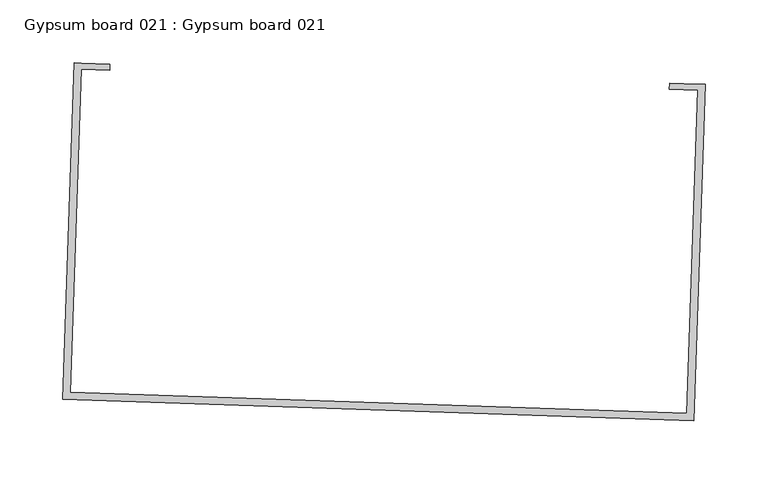
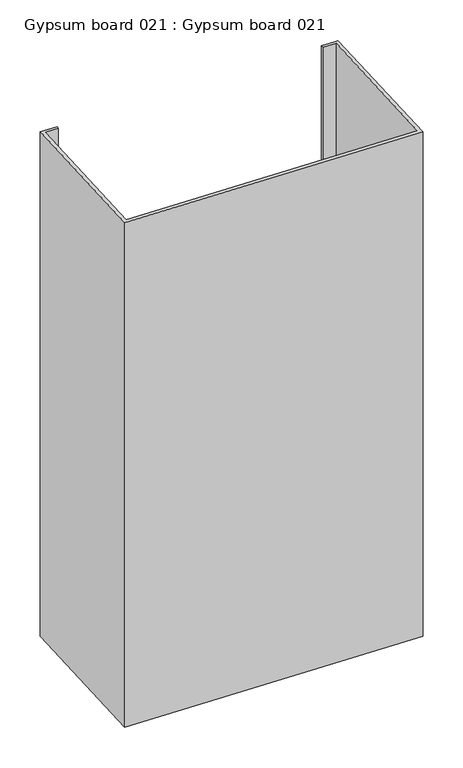
"""IFC4 building model written with IfcOpenShell, lengths in millimetres: proxy geometry, Gypsum board 021 : Gypsum board 021."""

import ifcopenshell
import ifcopenshell.guid

model = None  # the IFC model being written
_history = None  # IfcOwnerHistory: only IFC2X3 demands one
_inside = {}  # id of a spatial element -> (the spatial element, [elements in it])
_under = {}  # id of a project, library or spatial element -> (it, [spatial elements below it])
_declared = {}  # id of a project -> (the project, [libraries it declares])
_typed = {}  # id of a type object -> (the type object, [elements of that type])
_made_of = {}  # id of a material, layer set ... -> (it, [elements and type objects made of it])


def new_model(schema):
    """Start an empty IFC model of exactly this schema.

    Asked for "IFC4X3", IfcOpenShell would pick the latest addendum, in which some entities
    have other attributes; the version numbers below select the first issue.
    IFC2X3 requires an IfcOwnerHistory on every rooted entity: one is made here for all.
    """
    global model, _history
    if schema == "IFC4X3":
        model = ifcopenshell.file(schema_version=(4, 3, 0, 0))
    else:
        model = ifcopenshell.file(schema=schema)
    _inside.clear()
    _under.clear()
    _declared.clear()
    _typed.clear()
    _made_of.clear()
    _history = None
    if model.schema == "IFC2X3":
        org = make("IfcOrganization", Name="unknown")
        user = make(
            "IfcPersonAndOrganization",
            ThePerson=make("IfcPerson", FamilyName="unknown"),
            TheOrganization=org,
        )
        app = make(
            "IfcApplication",
            ApplicationDeveloper=org,
            Version="unknown",
            ApplicationFullName="unknown",
            ApplicationIdentifier="unknown",
        )
        _history = make(
            "IfcOwnerHistory",
            OwningUser=user,
            OwningApplication=app,
            ChangeAction="ADDED",
            CreationDate=0,
        )
    return model


def make(cls, **values):
    """One entity of the class cls with the attributes given. An attribute that is None is left unset."""
    return model.create_entity(
        cls, **{name: value for name, value in values.items() if value is not None}
    )


def rooted(cls, **values):
    """An entity with a GlobalId (a new one), such as an element, a storey or a relation."""
    return make(cls, GlobalId=ifcopenshell.guid.new(), OwnerHistory=_history, **values)


def si_unit(unit_type, name, prefix=None):
    """IfcSIUnit, for example si_unit("LENGTHUNIT", "METRE", prefix="MILLI")."""
    return make("IfcSIUnit", UnitType=unit_type, Prefix=prefix, Name=name)


def assignment(units):
    """IfcUnitAssignment: the units of a project."""
    return None if units is None else make("IfcUnitAssignment", Units=units)


def point(xyz):
    """IfcCartesianPoint."""
    return None if xyz is None else make("IfcCartesianPoint", Coordinates=xyz)


def direction(xyz):
    """IfcDirection."""
    return None if xyz is None else make("IfcDirection", DirectionRatios=xyz)


def frame(location, z_axis=None, x_axis=None):
    """IfcAxis2Placement3D, a coordinate frame: its origin and axes. An axis left out is left unset."""
    return make(
        "IfcAxis2Placement3D",
        Location=point(location),
        Axis=direction(z_axis),
        RefDirection=direction(x_axis),
    )


def origin():
    """The frame at (0, 0, 0) with its axes left unset."""
    return frame((0.0, 0.0, 0.0))


def place(relative_to, where):
    """IfcLocalPlacement: puts the frame where relative to a parent placement (None: the world)."""
    return make(
        "IfcLocalPlacement", PlacementRelTo=relative_to, RelativePlacement=where
    )


def context(
    kind, dimensions, precision=None, world=None, true_north=None, identifier=None
):
    """IfcGeometricRepresentationContext, for example the 3D "Model" context."""
    return make(
        "IfcGeometricRepresentationContext",
        ContextIdentifier=identifier,
        ContextType=kind,
        CoordinateSpaceDimension=dimensions,
        Precision=precision,
        WorldCoordinateSystem=world,
        TrueNorth=true_north,
    )


def project(units=None, contexts=None):
    """IfcProject with its units and contexts."""
    return rooted(
        "IfcProject",
        Name="project",
        RepresentationContexts=contexts,
        UnitsInContext=assignment(units),
    )


def spatial(cls, under=None, at=None, **own):
    """A site, building, storey or space (cls), placed at a placement, below another one or the project."""
    s = rooted(cls, ObjectPlacement=at, **own)
    if under is not None:
        _under.setdefault(under.id(), (under, []))[1].append(s)
    return s


def polyline(points):
    """IfcPolyline through the points."""
    return make("IfcPolyline", Points=[point(p) for p in points])


def outline(outer, holes=None, kind="AREA"):
    """IfcArbitraryClosedProfileDef: a profile drawn as a closed curve; with holes, ...WithVoids."""
    if holes is None:
        return make("IfcArbitraryClosedProfileDef", ProfileType=kind, OuterCurve=outer)
    return make(
        "IfcArbitraryProfileDefWithVoids",
        ProfileType=kind,
        OuterCurve=outer,
        InnerCurves=holes,
    )


def extrude(swept, where, along, depth):
    """IfcExtrudedAreaSolid: the profile swept, set in the frame where, extruded along a direction by depth."""
    return make(
        "IfcExtrudedAreaSolid",
        SweptArea=swept,
        Position=where,
        ExtrudedDirection=direction(along),
        Depth=depth,
    )


def shape(context_of_items, identifier, shape_type, items):
    """IfcShapeRepresentation: the items that make up one representation, for example the "Body"."""
    return make(
        "IfcShapeRepresentation",
        ContextOfItems=context_of_items,
        RepresentationIdentifier=identifier,
        RepresentationType=shape_type,
        Items=items,
    )


def source(mapping_origin, context_of_items, identifier, shape_type, items):
    """IfcRepresentationMap: a shape defined once, which mapped items show again and again."""
    return make(
        "IfcRepresentationMap",
        MappingOrigin=mapping_origin,
        MappedRepresentation=shape(context_of_items, identifier, shape_type, items),
    )


def transform(
    local_origin,
    x_axis=None,
    y_axis=None,
    z_axis=None,
    scale=None,
    scale2=None,
    scale3=None,
    uniform=True,
):
    """IfcCartesianTransformationOperator3D, or its non-uniform kind. x_axis, y_axis, z_axis: its Axis1, 2, 3."""
    if uniform:
        return make(
            "IfcCartesianTransformationOperator3D",
            Axis1=direction(x_axis),
            Axis2=direction(y_axis),
            LocalOrigin=point(local_origin),
            Scale=scale,
            Axis3=direction(z_axis),
        )
    return make(
        "IfcCartesianTransformationOperator3DnonUniform",
        Axis1=direction(x_axis),
        Axis2=direction(y_axis),
        LocalOrigin=point(local_origin),
        Scale=scale,
        Axis3=direction(z_axis),
        Scale2=scale2,
        Scale3=scale3,
    )


def mapped(mapping_source, mapping_target):
    """IfcMappedItem: shows the shape of a source again, moved by a transform."""
    return make(
        "IfcMappedItem", MappingSource=mapping_source, MappingTarget=mapping_target
    )


def made_of(thing, what):
    """Note that an element or type object is made of a material, layer set ...; save() writes the relation."""
    if what is not None:
        _made_of.setdefault(what.id(), (what, []))[1].append(thing)
    return thing


def element(
    cls,
    number,
    at=None,
    inside=None,
    cuts=None,
    type_object=None,
    material=None,
    context=None,
    identifier="Body",
    shape_type=None,
    held_by="IfcProductDefinitionShape",
    body=None,
    shapes=None,
    **own,
):
    """One element of the class cls, such as IfcWall. Its Tag is "e" and its number.

    at: its placement. inside: the storey or other place that contains it. cuts: it is an
    opening in that element (IfcRelVoidsElement). A single representation is given by context,
    identifier, shape_type and body (its items); several are given by shapes. held_by: the class
    of the entity that holds the representations. save() writes the other relations.
    """
    e = rooted(cls, Tag="e%d" % number, ObjectPlacement=at, **own)
    if body is not None:
        shapes = [shape(context, identifier, shape_type, body)]
    if shapes is not None:
        e.Representation = make(held_by, Representations=shapes)
    if inside is not None:
        _inside.setdefault(inside.id(), (inside, []))[1].append(e)
    if cuts is not None:
        rooted(
            "IfcRelVoidsElement", RelatingBuildingElement=cuts, RelatedOpeningElement=e
        )
    if type_object is not None:
        _typed.setdefault(type_object.id(), (type_object, []))[1].append(e)
    return made_of(e, material)


def aggregate(whole, parts):
    """IfcRelAggregates: a whole, such as a stair, and the parts it consists of."""
    return rooted("IfcRelAggregates", RelatingObject=whole, RelatedObjects=parts)


def save(model, path):
    """Write the relations noted so far, then the file.

    IfcRelAggregates (storeys below a building ...), IfcRelContainedInSpatialStructure (elements
    in a storey), IfcRelDefinesByType, IfcRelAssociatesMaterial and IfcRelDeclares: one each for
    every whole, place, type object, material and project.
    """
    for whole, parts in _under.values():
        aggregate(whole, parts)
    for where, things in _inside.values():
        rooted(
            "IfcRelContainedInSpatialStructure",
            RelatedElements=things,
            RelatingStructure=where,
        )
    for kind, things in _typed.values():
        rooted("IfcRelDefinesByType", RelatedObjects=things, RelatingType=kind)
    for what, things in _made_of.values():
        rooted("IfcRelAssociatesMaterial", RelatedObjects=things, RelatingMaterial=what)
    for by, libraries in _declared.values():
        rooted("IfcRelDeclares", RelatingContext=by, RelatedDefinitions=libraries)
    model.write(path)


def gypsum_board_021_gypsum_board_021_ef21638b(model_context):
    return source(origin(), model_context, "Body", "SweptSolid", [
        extrude(outline(polyline([(32225.7227322, -15471.8171405), (32248.3128846, -15472.5902162), (32248.1512265, -15477.3140509), (32225.561074, -15476.5409752), (32216.7707673, -15733.4037329), (32706.9473266, -15750.1784589), (32715.7376335, -15493.3157011), (32693.1474811, -15492.5426254), (32693.3091393, -15487.8187907), (32715.8992917, -15488.5918664), (32721.4892663, -15488.7831653), (32712.3460021, -15755.9597326), (32210.9894936, -15738.8024085), (32220.1327576, -15471.6258414), (32225.7227322, -15471.8171405)])), frame((0.0, 0.0, 1597.975708), z_axis=(0.0, 0.0, 1.0), x_axis=(1.0, 0.0, 0.0)), (0.0, 0.0, 1.0), 914.4),
    ])


if __name__ == "__main__":
    model = new_model("IFC4")
    model_context = context("Model", 3, world=origin())
    ifc_project = project(units=[si_unit("LENGTHUNIT", "METRE", prefix="MILLI")], contexts=[model_context])
    site = spatial("IfcSite", under=ifc_project)
    building = spatial("IfcBuilding", under=site)
    placement = place(None, origin())
    gypsum_board_021_gypsum_board_021_shape = gypsum_board_021_gypsum_board_021_ef21638b(model_context)
    element("IfcBuildingElementProxy", 1, Name="Gypsum board 021 : Gypsum board 021", ObjectType="Gypsum board 021 : Gypsum board 021", at=placement, inside=building, context=model_context, shape_type="MappedRepresentation", body=[
        mapped(gypsum_board_021_gypsum_board_021_shape, transform((0.0, 0.0, 0.0), x_axis=(1.0, 0.0, 0.0), y_axis=(0.0, 1.0, 0.0), z_axis=(0.0, 0.0, 1.0))),
    ])
    save(model, "model.ifc")
